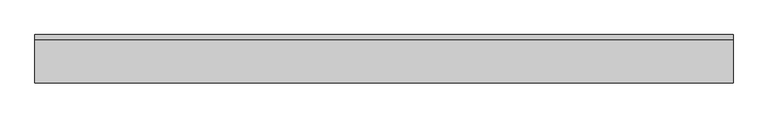
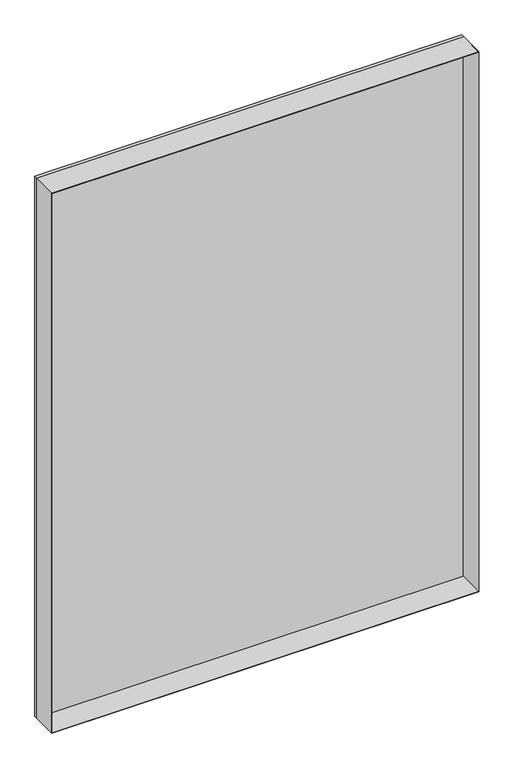
"""IFC4 building model written with IfcOpenShell, lengths in millimetres: plate geometry."""

from ifc_helpers import new_model, si_unit, frame, origin, origin_with_axes, place, context, project, spatial, polyline, outline, extrude, source, transform, mapped, element, save


def plate_dd8b03a6(model_context):
    return source(origin(), model_context, "Body", "SweptSolid", [
        extrude(outline(polyline([(1440.75, -539.6875001), (0.0, -539.6875001), (0.0, 539.6875001), (1440.75, 539.6875001), (1440.75, -539.6875001)]), holes=[polyline([(1439.75, -538.6875001), (1439.75, 538.6875001), (1.0, 538.6875001), (1.0, -538.6875001), (1439.75, -538.6875001)])]), frame((0.0, -37.2, 0.0), z_axis=(0.0, 1.0, 0.0), x_axis=(0.0, 0.0, 1.0)), (0.0, 0.0, 1.0), 66.4),
        extrude(outline(polyline([(539.6875001, 29.2), (-539.6875001, 29.2), (-539.6875001, 37.2), (539.6875001, 37.2), (539.6875001, 29.2)])), origin_with_axes(), (0.0, 0.0, 1.0), 1440.75),
    ])


if __name__ == "__main__":
    model = new_model("IFC4")
    model_context = context("Model", 3, world=origin())
    ifc_project = project(units=[si_unit("LENGTHUNIT", "METRE", prefix="MILLI")], contexts=[model_context])
    site = spatial("IfcSite", under=ifc_project)
    building = spatial("IfcBuilding", under=site)
    placement = place(None, origin())
    plate_shape = plate_dd8b03a6(model_context)
    element("IfcPlate", 1, at=placement, inside=building, context=model_context, shape_type="MappedRepresentation", body=[
        mapped(plate_shape, transform((0.0, 0.0, 0.0), x_axis=(1.0, 0.0, 0.0), y_axis=(0.0, 1.0, 0.0), z_axis=(0.0, 0.0, 1.0))),
    ])
    save(model, "model.ifc")
